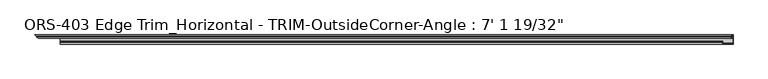
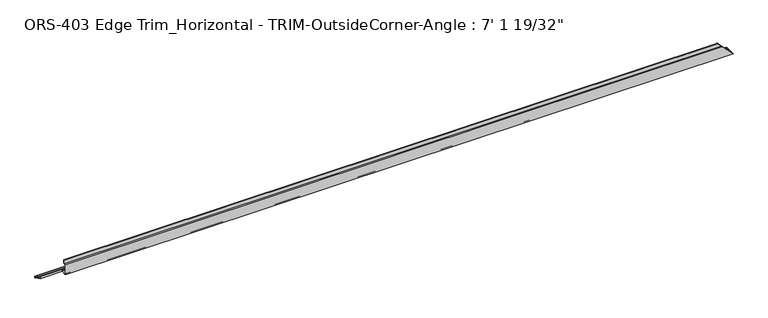
"""IFC4 building model written with IfcOpenShell, lengths in millimetres: proxy geometry."""

from ifc_helpers import new_model, si_unit, frame, origin, place, context, project, spatial, polyline, circle_curve, ellipse_curve, source, transform, mapped, element, save
from ifc_brep_helpers import plane_surface, cylinder_surface, revolved_surface, advanced_brep


def proxy_8e749b82(model_context):
    return source(origin(), model_context, "Body", "AdvancedBrep", [
        advanced_brep(
        [(2140.6660802, -14.292309, 33.4151698), (79.3960974, -14.292309, 33.4151698), (79.3960974, -19.6849659, 33.4151698), (2140.6660802, -19.6849659, 33.4151698), (2130.0899933, -12.4813352, 43.9912567), (79.3960974, -12.4813352, 43.9912567), (2130.1560771, -10.1599659, 43.9251729), (79.3960974, -10.1599659, 43.9251729), (2142.2408802, -10.1599659, 31.8403698), (79.3960974, -10.1599659, 31.8403698), (2142.2408802, -16.8401659, 31.8403698), (79.3960974, -16.8401659, 31.8403698), (2143.5108802, -18.1101659, 30.5703698), (79.3960974, -18.1101659, 30.5703698), (2147.1326414, -18.1101659, 26.9486086), (79.3960974, -18.1101659, 26.9486086), (2147.9211852, -18.5286393, 26.1600648), (79.3960974, -18.5286393, 26.1600648), (2148.7050445, -18.5286393, 25.3762055), (79.3960974, -18.5286393, 25.3762055), (2149.4935882, -18.1101659, 24.5876618), (79.3960974, -18.1101659, 24.5876618), (2170.91895, -18.1101659, 3.1623), (79.3960974, -18.1101659, 3.1623), (2172.50645, -16.5226659, 1.5748), (79.3960974, -16.5226659, 1.5748), (2172.50645, -2.8574659, 1.5748), (79.3960974, -2.8574659, 1.5748), (2170.91895, -1.2699659, 3.1623), (79.3960974, -1.2699659, 3.1623), (2168.39165, -1.2699659, 5.6896), (10.16, -1.2699659, 5.6896), (10.16, -1.2699659, 0.0), (79.3960974, -1.2699659, 0.0), (2168.39165, 1.9177341, 5.6896), (6.9723, 1.9177341, 5.6896), (2168.39165, 5.0673341, 5.6896), (3.8227, 5.0673341, 5.6896), (0.0, 8.8900341, 5.6896), (2168.39165, 8.8900341, 5.6896), (2170.0311795, 8.8900341, 4.0500705), (0.0, 8.8900341, 4.0500705), (2170.0311795, 7.4768015, 4.0500705), (1.4132326, 7.4768015, 4.0500705), (2169.7773498, 6.695594, 4.3039002), (2.1944401, 6.695594, 4.3039002), (2170.0311795, 5.9143865, 4.0500705), (2.9756475, 5.9143865, 4.0500705), (2169.7773498, 5.133179, 4.3039002), (3.756855, 5.133179, 4.3039002), (2170.0311795, 4.3519716, 4.0500705), (4.5380625, 4.3519716, 4.0500705), (2169.7773498, 3.5707641, 4.3039002), (5.31927, 3.5707641, 4.3039002), (2170.0311795, 2.7895566, 4.0500705), (6.1004775, 2.7895566, 4.0500705), (2169.7773498, 2.0083491, 4.3039002), (6.8816849, 2.0083491, 4.3039002), (2170.0311795, 1.2271416, 4.0500705), (7.6628924, 1.2271416, 4.0500705), (2169.7773498, 0.4459342, 4.3039002), (8.4440999, 0.4459342, 4.3039002), (2172.6955496, 0.4459342, 1.3857004), (8.4440999, 0.4459342, 1.3857004), (2172.4417199, 1.2271416, 1.6395301), (7.6628924, 1.2271416, 1.6395301), (2172.6955496, 2.0083491, 1.3857004), (6.8816849, 2.0083491, 1.3857004), (2172.4417199, 2.7895566, 1.6395301), (6.1004775, 2.7895566, 1.6395301), (2172.6955496, 3.5707641, 1.3857004), (5.31927, 3.5707641, 1.3857004), (2172.4417199, 4.3519716, 1.6395301), (4.5380625, 4.3519716, 1.6395301), (2172.6955496, 5.133179, 1.3857004), (3.756855, 5.133179, 1.3857004), (2172.4417199, 5.9143865, 1.6395301), (2.9756475, 5.9143865, 1.6395301), (2172.6955496, 6.695594, 1.3857004), (2.1944401, 6.695594, 1.3857004), (2172.4417199, 7.4768015, 1.6395301), (1.4132326, 7.4768015, 1.6395301), (0.0, 8.8900341, 1.6395301), (2172.4417199, 8.8900341, 1.6395301), (0.0, 8.8900341, 0.0), (2174.08125, 8.8900341, 0.0), (2174.08125, -19.6849659, 0.0), (79.3960974, -19.6849659, 0.0)],
        [
            (0, 1),
            (1, 2),
            (2, 3),
            (3, 0),
            (4, 5),
            (5, 1),
            (0, 4),
            (6, 7),
            (7, 5, circle_curve(frame((79.3960974, -11.3526424, 42.8344152), z_axis=(1.0, 0.0, 0.0), x_axis=(0.0, -1.0, 0.0)), 1.6162393)),
            (4, 6, ellipse_curve(frame((2131.2468348, -11.3526424, 42.8344152), z_axis=(-0.7071067811870584, 0.0, -0.7071067811860369), x_axis=(0.7071067811860365, 0.0, -0.7071067811870585)), 2.2857076, 1.6162393)),
            (8, 9),
            (9, 7),
            (6, 8),
            (10, 11),
            (11, 9),
            (8, 10),
            (12, 13),
            (13, 11, circle_curve(frame((79.3960974, -16.8401659, 30.5703698), z_axis=(-1.0, 0.0, 0.0), x_axis=(0.0, -1.0, 0.0)), 1.27)),
            (10, 12, ellipse_curve(frame((2143.5108802, -16.8401659, 30.5703698), z_axis=(0.7071067811870584, 0.0, 0.7071067811860369), x_axis=(-0.7071067811860365, 0.0, 0.7071067811870585)), 1.7960512, 1.27)),
            (14, 15),
            (15, 13),
            (12, 14),
            (16, 17),
            (17, 15),
            (14, 16),
            (18, 19),
            (19, 17),
            (16, 18),
            (20, 21),
            (21, 19),
            (18, 20),
            (22, 23),
            (23, 21),
            (20, 22),
            (24, 25),
            (25, 23, circle_curve(frame((79.3960974, -16.5226659, 3.1623), z_axis=(-1.0, 0.0, 0.0), x_axis=(0.0, -1.0, 0.0)), 1.5875)),
            (22, 24, ellipse_curve(frame((2170.91895, -16.5226659, 3.1623), z_axis=(0.7071067811870584, 0.0, 0.7071067811860369), x_axis=(-0.7071067811860365, 0.0, 0.7071067811870585)), 2.245064, 1.5875)),
            (26, 27),
            (27, 25),
            (24, 26),
            (28, 29),
            (29, 27, circle_curve(frame((79.3960974, -2.8574659, 3.1623), z_axis=(-1.0, 0.0, 0.0), x_axis=(0.0, -1.0, 0.0)), 1.5875)),
            (26, 28, ellipse_curve(frame((2170.91895, -2.8574659, 3.1623), z_axis=(0.7071067811870584, 0.0, 0.7071067811860369), x_axis=(-0.7071067811860365, 0.0, 0.7071067811870585)), 2.245064, 1.5875)),
            (30, 31),
            (31, 32),
            (32, 33),
            (33, 29),
            (28, 30),
            (34, 35),
            (35, 31),
            (30, 34),
            (36, 37),
            (37, 35, ellipse_curve(frame((5.3975, 3.4925341, 5.6896), z_axis=(0.7071067811864715, 0.7071067811866236, 0.0), x_axis=(0.7071067811866234, -0.7071067811864715, 0.0)), 2.2271035, 1.5748)),
            (34, 36, ellipse_curve(frame((2168.39165, 3.4925341, 5.6896), z_axis=(-0.7071067811870584, 0.0, -0.7071067811860369), x_axis=(0.7071067811860365, 0.0, -0.7071067811870585)), 2.2271035, 1.5748)),
            (38, 37),
            (36, 39),
            (39, 38),
            (39, 40),
            (40, 41),
            (41, 38),
            (40, 42),
            (42, 43),
            (43, 41),
            (44, 45),
            (45, 43),
            (42, 44),
            (46, 47),
            (47, 45),
            (44, 46),
            (48, 49),
            (49, 47),
            (46, 48),
            (50, 51),
            (51, 49),
            (48, 50),
            (52, 53),
            (53, 51),
            (50, 52),
            (54, 55),
            (55, 53),
            (52, 54),
            (56, 57),
            (57, 55),
            (54, 56),
            (58, 59),
            (59, 57),
            (56, 58),
            (60, 61),
            (61, 59),
            (58, 60),
            (62, 63),
            (63, 61),
            (60, 62),
            (64, 65),
            (65, 63),
            (62, 64),
            (66, 67),
            (67, 65),
            (64, 66),
            (68, 69),
            (69, 67),
            (66, 68),
            (70, 71),
            (71, 69),
            (68, 70),
            (72, 73),
            (73, 71),
            (70, 72),
            (74, 75),
            (75, 73),
            (72, 74),
            (76, 77),
            (77, 75),
            (74, 76),
            (78, 79),
            (79, 77),
            (76, 78),
            (80, 81),
            (81, 79),
            (78, 80),
            (82, 81),
            (80, 83),
            (83, 82),
            (84, 82),
            (83, 85),
            (85, 84),
            (85, 86),
            (86, 87),
            (87, 33),
            (32, 84),
            (2, 87),
            (86, 3),
        ],
        [
            plane_surface(frame((2174.08125, -19.6849659, 33.4151698), z_axis=(0.0, 0.0, 1.0), x_axis=(-1.0, 0.0, 0.0))),
            plane_surface(frame((2174.08125, -14.292309, 33.4151698), z_axis=(0.0, -0.9856543593987945, 0.16877643140602303), x_axis=(-1.0, 0.0, 0.0))),
            cylinder_surface(frame((0.0, -11.3526424, 42.8344152), z_axis=(1.0, 0.0, 0.0), x_axis=(0.0, -1.0, 0.0)), 1.6162393),
            plane_surface(frame((2174.08125, -10.1599659, 43.9251729), z_axis=(0.0, 1.0, 0.0), x_axis=(-1.0, 0.0, 0.0))),
            plane_surface(frame((2174.08125, -10.1599659, 31.8403698), z_axis=(0.0, -1.2968080348435037e-12, -1.0), x_axis=(-1.0, 0.0, 0.0))),
            revolved_surface(polyline([(79.3960974, -18.1101659, 30.5703698), (2144.7808801828774, -18.1101659, 30.5703698)]), (0.0, -16.8401659, 30.5703698), (-1.0, 0.0, 0.0)),
            plane_surface(frame((2174.08125, -18.1101659, 30.5703698), z_axis=(0.0, 1.0, 1.5953871677516757e-12), x_axis=(-1.0, 0.0, 0.0))),
            plane_surface(frame((2174.08125, -18.1101659, 26.9486086), z_axis=(0.0, 0.8833200708174842, -0.4687703622148), x_axis=(-1.0, 0.0, 0.0))),
            plane_surface(frame((2174.08125, -18.5286393, 26.1600648), z_axis=(0.0, 1.0, 0.0), x_axis=(-1.0, 0.0, 0.0))),
            plane_surface(frame((2174.08125, -18.5286393, 25.3762055), z_axis=(0.0, 0.8833200708184621, 0.4687703622129573), x_axis=(-1.0, 0.0, 0.0))),
            plane_surface(frame((2174.08125, -18.1101659, 24.5876618), z_axis=(0.0, 1.0, 0.0), x_axis=(-1.0, 0.0, 0.0))),
            revolved_surface(polyline([(79.3960974, -18.1101659, 3.1623), (2172.50645, -18.1101659, 3.1623)]), (0.0, -16.5226659, 3.1623), (-1.0, 0.0, 0.0)),
            plane_surface(frame((2174.08125, -16.5226659, 1.5748), z_axis=(0.0, 0.0, 1.0), x_axis=(-1.0, 0.0, 0.0))),
            revolved_surface(polyline([(79.3960974, -4.4449659, 3.1623), (2172.50645, -4.4449659, 3.1623)]), (0.0, -2.8574659, 3.1623), (-1.0, 0.0, 0.0)),
            plane_surface(frame((2174.08125, -1.2699659, 3.1623), z_axis=(0.0, -1.0, 0.0), x_axis=(-1.0, 0.0, 0.0))),
            plane_surface(frame((2174.08125, -1.2699659, 5.6896), z_axis=(0.0, 0.0, 1.0), x_axis=(-1.0, 0.0, 0.0))),
            cylinder_surface(frame((0.0, 3.4925341, 5.6896), z_axis=(1.0, 0.0, 0.0), x_axis=(0.0, -1.0, 0.0)), 1.5748),
            plane_surface(frame((2174.08125, 5.0673341, 5.6896), z_axis=(0.0, 0.0, 1.0), x_axis=(-1.0, 0.0, 0.0))),
            plane_surface(frame((2174.08125, 8.8900341, 5.6896), z_axis=(0.0, 1.0, 0.0), x_axis=(-1.0, 0.0, 0.0))),
            plane_surface(frame((2174.08125, 8.8900341, 4.0500705), z_axis=(0.0, 0.0, -1.0), x_axis=(-1.0, 0.0, 0.0))),
            plane_surface(frame((2174.08125, 7.4768015, 4.0500705), z_axis=(0.0, -0.3090169943749553, -0.9510565162951511), x_axis=(-1.0, 0.0, 0.0))),
            plane_surface(frame((2174.08125, 6.695594, 4.3039002), z_axis=(0.0, 0.3090169943749486, -0.9510565162951533), x_axis=(-1.0, 0.0, 0.0))),
            plane_surface(frame((2174.08125, 5.9143865, 4.0500705), z_axis=(0.0, -0.3090169943749555, -0.951056516295151), x_axis=(-1.0, 0.0, 0.0))),
            plane_surface(frame((2174.08125, 5.133179, 4.3039002), z_axis=(0.0, 0.3090169943749748, -0.9510565162951446), x_axis=(-1.0, 0.0, 0.0))),
            plane_surface(frame((2174.08125, 4.3519716, 4.0500705), z_axis=(0.0, -0.3090169943749981, -0.9510565162951371), x_axis=(-1.0, 0.0, 0.0))),
            plane_surface(frame((2174.08125, 3.5707641, 4.3039002), z_axis=(0.0, 0.30901699437494895, -0.9510565162951532), x_axis=(-1.0, 0.0, 0.0))),
            plane_surface(frame((2174.08125, 2.7895566, 4.0500705), z_axis=(0.0, -0.3090169943749561, -0.9510565162951508), x_axis=(-1.0, 0.0, 0.0))),
            plane_surface(frame((2174.08125, 2.0083491, 4.3039002), z_axis=(0.0, 0.30901699437494257, -0.9510565162951552), x_axis=(-1.0, 0.0, 0.0))),
            plane_surface(frame((2174.08125, 1.2271416, 4.0500705), z_axis=(0.0, -0.3090169943749565, -0.9510565162951506), x_axis=(-1.0, 0.0, 0.0))),
            plane_surface(frame((2174.08125, 0.4459342, 4.3039002), z_axis=(0.0, 1.0, 0.0), x_axis=(-1.0, 0.0, 0.0))),
            plane_surface(frame((2174.08125, 0.4459342, 1.3857004), z_axis=(0.0, -0.3090169943749626, 0.9510565162951486), x_axis=(-1.0, 0.0, 0.0))),
            plane_surface(frame((2174.08125, 1.2271416, 1.6395301), z_axis=(0.0, 0.30901699437493707, 0.951056516295157), x_axis=(-1.0, 0.0, 0.0))),
            plane_surface(frame((2174.08125, 2.0083491, 1.3857004), z_axis=(0.0, -0.3090169943749626, 0.9510565162951486), x_axis=(-1.0, 0.0, 0.0))),
            plane_surface(frame((2174.08125, 2.7895566, 1.6395301), z_axis=(0.0, 0.3090169943749421, 0.9510565162951553), x_axis=(-1.0, 0.0, 0.0))),
            plane_surface(frame((2174.08125, 3.5707641, 1.3857004), z_axis=(0.0, -0.309016994375005, 0.9510565162951349), x_axis=(-1.0, 0.0, 0.0))),
            plane_surface(frame((2174.08125, 4.3519716, 1.6395301), z_axis=(0.0, 0.30901699437496927, 0.9510565162951465), x_axis=(-1.0, 0.0, 0.0))),
            plane_surface(frame((2174.08125, 5.133179, 1.3857004), z_axis=(0.0, -0.30901699437496183, 0.951056516295149), x_axis=(-1.0, 0.0, 0.0))),
            plane_surface(frame((2174.08125, 5.9143865, 1.6395301), z_axis=(0.0, 0.30901699437494223, 0.9510565162951553), x_axis=(-1.0, 0.0, 0.0))),
            plane_surface(frame((2174.08125, 6.695594, 1.3857004), z_axis=(0.0, -0.30901699437496144, 0.9510565162951491), x_axis=(-1.0, 0.0, 0.0))),
            plane_surface(frame((2174.08125, 7.4768015, 1.6395301), z_axis=(0.0, 0.0, 1.0), x_axis=(-1.0, 0.0, 0.0))),
            plane_surface(frame((2174.08125, 8.8900341, 1.6395301), z_axis=(0.0, 1.0, 0.0), x_axis=(-1.0, 0.0, 0.0))),
            plane_surface(frame((2174.08125, 8.8900341, 0.0), z_axis=(0.0, 0.0, -1.0), x_axis=(-1.0, 0.0, 0.0))),
            plane_surface(frame((2174.08125, -19.6849659, 0.0), z_axis=(0.0, -1.0, 0.0), x_axis=(-1.0, 0.0, 0.0))),
            plane_surface(frame((2129.3065864, 31.6686668, 44.7746636), z_axis=(0.7071067811870584, 0.0, 0.7071067811860369), x_axis=(0.0, -1.0, 0.0))),
            plane_surface(frame((79.3960974, -1.2699659, 47.4820436), z_axis=(-1.0, 0.0, 0.0), x_axis=(0.0, 0.0, -1.0))),
            plane_surface(frame((0.0, 8.8900341, 44.7828996), z_axis=(-0.7071067811864715, -0.7071067811866236, 0.0), x_axis=(0.0, 0.0, -1.0))),
        ],
        [
            (0, [[1, 2, 3, 4]]),
            (1, [[5, 6, -1, 7]]),
            (2, [[8, 9, -5, 10]]),
            (3, [[11, 12, -8, 13]]),
            (4, [[14, 15, -11, 16]]),
            (5, [[17, 18, -14, 19]]),
            (6, [[20, 21, -17, 22]]),
            (7, [[23, 24, -20, 25]]),
            (8, [[26, 27, -23, 28]]),
            (9, [[29, 30, -26, 31]]),
            (10, [[32, 33, -29, 34]]),
            (11, [[35, 36, -32, 37]]),
            (12, [[38, 39, -35, 40]]),
            (13, [[41, 42, -38, 43]]),
            (14, [[44, 45, 46, 47, -41, 48]]),
            (15, [[49, 50, -44, 51]]),
            (16, [[52, 53, -49, 54]]),
            (17, [[55, -52, 56, 57]]),
            (18, [[58, 59, 60, -57]]),
            (19, [[61, 62, 63, -59]]),
            (20, [[64, 65, -62, 66]]),
            (21, [[67, 68, -64, 69]]),
            (22, [[70, 71, -67, 72]]),
            (23, [[73, 74, -70, 75]]),
            (24, [[76, 77, -73, 78]]),
            (25, [[79, 80, -76, 81]]),
            (26, [[82, 83, -79, 84]]),
            (27, [[85, 86, -82, 87]]),
            (28, [[88, 89, -85, 90]]),
            (29, [[91, 92, -88, 93]]),
            (30, [[94, 95, -91, 96]]),
            (31, [[97, 98, -94, 99]]),
            (32, [[100, 101, -97, 102]]),
            (33, [[103, 104, -100, 105]]),
            (34, [[106, 107, -103, 108]]),
            (35, [[109, 110, -106, 111]]),
            (36, [[112, 113, -109, 114]]),
            (37, [[115, 116, -112, 117]]),
            (38, [[118, 119, -115, 120]]),
            (39, [[121, -118, 122, 123]]),
            (40, [[124, -123, 125, 126]]),
            (41, [[127, 128, 129, -46, 130, -126]]),
            (42, [[-3, 131, -128, 132]]),
            (43, [[-132, -127, -125, -122, -120, -117, -114, -111, -108, -105, -102, -99, -96, -93, -90, -87, -84, -81, -78, -75, -72, -69, -66, -61, -58, -56, -54, -51, -48, -43, -40, -37, -34, -31, -28, -25, -22, -19, -16, -13, -10, -7, -4]]),
            (44, [[-129, -131, -2, -6, -9, -12, -15, -18, -21, -24, -27, -30, -33, -36, -39, -42, -47]]),
            (45, [[-50, -53, -55, -60, -63, -65, -68, -71, -74, -77, -80, -83, -86, -89, -92, -95, -98, -101, -104, -107, -110, -113, -116, -119, -121, -124, -130, -45]]),
        ],
    ),
    ])


if __name__ == "__main__":
    model = new_model("IFC4")
    model_context = context("Model", 3, world=origin())
    ifc_project = project(units=[si_unit("LENGTHUNIT", "METRE", prefix="MILLI")], contexts=[model_context])
    site = spatial("IfcSite", under=ifc_project)
    building = spatial("IfcBuilding", under=site)
    placement = place(None, origin())
    proxy_shape = proxy_8e749b82(model_context)
    element("IfcBuildingElementProxy", 1, Name="ORS-403 Edge Trim_Horizontal - TRIM-OutsideCorner-Angle : 7' 1 19/32\"", ObjectType="ORS-403 Edge Trim_Horizontal - TRIM-OutsideCorner-Angle : 7' 1 19/32\"", at=placement, inside=building, context=model_context, shape_type="MappedRepresentation", body=[
        mapped(proxy_shape, transform((0.0, 0.0, 0.0), x_axis=(1.0, 0.0, 0.0), y_axis=(0.0, 1.0, 0.0), z_axis=(0.0, 0.0, 1.0))),
    ])
    save(model, "model.ifc")
